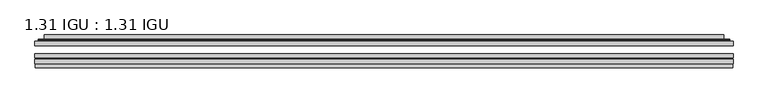
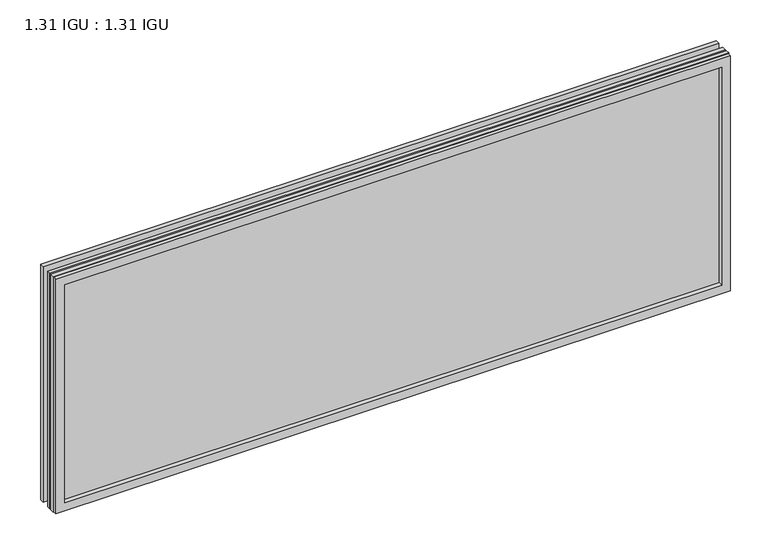
"""IFC4 building model written with IfcOpenShell, lengths in millimetres: plate geometry, 1.31 IGU : 1.31 IGU."""

from ifc_helpers import new_model, si_unit, frame, origin, place, context, project, spatial, polyline, ellipse_curve, outline, extrude, faceted_brep, source, transform, mapped, element, save
from ifc_brep_helpers import plane_surface, cylinder_surface, advanced_brep


def plate_1_31_igu_1_31_igu_ddd0ad23(model_context):
    return source(origin(), model_context, "Body", "SolidModel", [
        extrude(outline(polyline([(525.476675, -63.59525), (525.476675, -69.94525), (-525.4625, -69.94525), (-525.4625, -63.59525), (525.476675, -63.59525)])), frame((0.0, 0.0, -14.2875), z_axis=(0.0, 0.0, 1.0), x_axis=(1.0, 0.0, 0.0)), (0.0, 0.0, 1.0), 387.3537979),
        extrude(outline(polyline([(-525.4625, -78.58125), (-525.4625, -72.230745), (525.476675, -72.230745), (525.476675, -78.58125), (-525.4625, -78.58125)])), frame((0.0, 0.0, -14.2875), z_axis=(0.0, 0.0, 1.0), x_axis=(1.0, 0.0, 0.0)), (0.0, 0.0, 1.0), 387.3537979),
        extrude(outline(polyline([(525.476675, -45.25645), (525.476675, -51.60645), (-525.4625, -51.60645), (-525.4625, -45.25645), (525.476675, -45.25645)])), frame((0.0, 0.0, -14.2875), z_axis=(0.0, 0.0, 1.0), x_axis=(1.0, 0.0, 0.0)), (0.0, 0.0, 1.0), 387.3537979),
        faceted_brep([(-524.7623142, -84.93125, 372.3623142), (-524.7623142, -78.58125, 372.3623142), (-524.7623142, -78.58125, -13.5873142), (-524.7623142, -84.93125, -13.5873142), (524.7623142, -78.58125, -13.5873142), (524.7623142, -84.93125, -13.5873142), (524.7623142, -78.58125, 372.3623142), (524.7623142, -84.93125, 372.3623142), (-510.2772559, -78.58125, 0.8977441), (510.2772559, -78.58125, 0.8977441), (510.2772559, -78.58125, 357.8772559), (-510.2772559, -78.58125, 357.8772559), (-511.1696902, -84.93125, 358.7696902), (511.1696902, -84.93125, 358.7696902), (511.1696902, -84.93125, 0.0053098), (-511.1696902, -84.93125, 0.0053098)], [[[0, 1, 2, 3]], [[3, 2, 4, 5]], [[5, 4, 6, 7]], [[1, 6, 4, 2], [8, 9, 10, 11]], [[7, 6, 1, 0]], [[3, 5, 7, 0], [12, 13, 14, 15]], [[11, 12, 15, 8]], [[8, 15, 14, 9]], [[9, 14, 13, 10]], [[10, 13, 12, 11]]]),
        advanced_brep(
        [(-518.221219, -45.25645, 365.821219), (-520.5754244, -43.2667833, 368.1754244), (-520.5754244, -43.2667833, -9.4004244), (-518.221219, -45.25645, -7.046219), (-509.1468939, -41.416413, 356.7468939), (-504.2120621, -45.25645, 351.8120621), (-504.2120621, -45.25645, 6.9629379), (-509.1468939, -41.416413, 2.0281061), (-510.1789217, -36.0191819, 357.7789217), (-510.1789217, -36.0191819, 0.9960783), (-511.1695784, -35.6202069, 358.7695784), (-511.1695784, -35.6202069, 0.0054216), (-511.1695784, -42.08145, 358.7695784), (-511.1695784, -42.08145, 0.0054216), (-519.5736349, -42.08145, 367.1736349), (-519.5736349, -42.08145, -8.3986349), (520.5754244, -43.2667833, -9.4004244), (518.221219, -45.25645, -7.046219), (504.2120621, -45.25645, 6.9629379), (509.1468939, -41.416413, 2.0281061), (510.1789217, -36.0191819, 0.9960783), (511.1695784, -35.6202069, 0.0054216), (511.1695784, -42.08145, 0.0054216), (519.5736349, -42.08145, -8.3986349), (520.5754244, -43.2667833, 368.1754244), (518.221219, -45.25645, 365.821219), (504.2120621, -45.25645, 351.8120621), (509.1468939, -41.416413, 356.7468939), (510.1789217, -36.0191819, 357.7789217), (511.1695784, -35.6202069, 358.7695784), (511.1695784, -42.08145, 358.7695784), (519.5736349, -42.08145, 367.1736349)],
        [
            (0, 1, ellipse_curve(frame((-518.221219, -42.86885, 365.821219), z_axis=(-0.7071067811865475, 0.0, -0.7071067811865475), x_axis=(-0.7071067811865474, 0.0, 0.7071067811865476)), 3.3765763, 2.3876)),
            (1, 2),
            (2, 3, ellipse_curve(frame((-518.221219, -42.86885, -7.046219), z_axis=(-0.7071067811865475, 0.0, 0.7071067811865475), x_axis=(0.7071067811865474, 0.0, 0.7071067811865476)), 3.3765763, 2.3876)),
            (3, 0),
            (4, 5),
            (5, 6),
            (6, 7),
            (7, 4),
            (8, 4),
            (7, 9),
            (9, 8),
            (10, 8, ellipse_curve(frame((-510.8026219, -36.1384423, 358.4026219), z_axis=(-0.7071067811865475, 0.0, -0.7071067811865475), x_axis=(-0.7071067811865474, 0.0, 0.7071067811865476)), 0.8980256, 0.635)),
            (9, 11, ellipse_curve(frame((-510.8026219, -36.1384423, 0.3723781), z_axis=(-0.7071067811865475, 0.0, 0.7071067811865475), x_axis=(0.7071067811865474, 0.0, 0.7071067811865476)), 0.8980256, 0.635)),
            (11, 10),
            (12, 10),
            (11, 13),
            (13, 12),
            (1, 14, ellipse_curve(frame((-519.5736349, -43.09745, 367.1736349), z_axis=(-0.7071067811865475, 0.0, -0.7071067811865475), x_axis=(-0.7071067811865474, 0.0, 0.7071067811865476)), 1.436841, 1.016)),
            (14, 15),
            (15, 2, ellipse_curve(frame((-519.5736349, -43.09745, -8.3986349), z_axis=(-0.7071067811865475, 0.0, 0.7071067811865475), x_axis=(0.7071067811865474, 0.0, 0.7071067811865476)), 1.436841, 1.016)),
            (2, 16),
            (16, 17, ellipse_curve(frame((518.221219, -42.86885, -7.046219), z_axis=(-0.7071067811865475, 0.0, -0.7071067811865475), x_axis=(-0.7071067811865476, 0.0, 0.7071067811865474)), 3.3765763, 2.3876)),
            (17, 3),
            (6, 18),
            (18, 19),
            (19, 7),
            (19, 20),
            (20, 9),
            (20, 21, ellipse_curve(frame((510.8026219, -36.1384423, 0.3723781), z_axis=(-0.7071067811865475, 0.0, -0.7071067811865475), x_axis=(-0.7071067811865476, 0.0, 0.7071067811865474)), 0.8980256, 0.635)),
            (21, 11),
            (21, 22),
            (22, 13),
            (15, 23),
            (23, 16, ellipse_curve(frame((519.5736349, -43.09745, -8.3986349), z_axis=(-0.7071067811865475, 0.0, -0.7071067811865475), x_axis=(-0.7071067811865476, 0.0, 0.7071067811865474)), 1.436841, 1.016)),
            (16, 24),
            (24, 25, ellipse_curve(frame((518.221219, -42.86885, 365.821219), z_axis=(0.7071067811865475, 0.0, -0.7071067811865475), x_axis=(-0.7071067811865474, 0.0, -0.7071067811865476)), 3.3765763, 2.3876)),
            (25, 17),
            (18, 26),
            (26, 27),
            (27, 19),
            (27, 28),
            (28, 20),
            (28, 29, ellipse_curve(frame((510.8026219, -36.1384423, 358.4026219), z_axis=(0.7071067811865475, 0.0, -0.7071067811865475), x_axis=(-0.7071067811865474, 0.0, -0.7071067811865476)), 0.8980256, 0.635)),
            (29, 21),
            (29, 30),
            (30, 22),
            (23, 31),
            (31, 24, ellipse_curve(frame((519.5736349, -43.09745, 367.1736349), z_axis=(0.7071067811865475, 0.0, -0.7071067811865475), x_axis=(-0.7071067811865474, 0.0, -0.7071067811865476)), 1.436841, 1.016)),
            (24, 1),
            (0, 25),
            (5, 26),
            (4, 27),
            (8, 28),
            (10, 29),
            (12, 30),
            (14, 31),
        ],
        [
            cylinder_surface(frame((-518.221219, -42.86885, 390.525), z_axis=(0.0, 0.0, 1.0), x_axis=(-1.0, 0.0, 0.0)), 2.3876),
            plane_surface(frame((-504.2120621, -45.25645, 351.8120621), z_axis=(0.6141233906514794, 0.7892100234124821, 0.0), x_axis=(0.0, 0.0, -1.0))),
            plane_surface(frame((-509.1468939, -41.416413, 356.7468939), z_axis=(0.9822050625507729, 0.18781164793386074, 0.0), x_axis=(0.0, 0.0, -1.0))),
            cylinder_surface(frame((-510.8026219, -36.1384423, 390.525), z_axis=(0.0, 0.0, 1.0), x_axis=(-1.0, 0.0, 0.0)), 0.635),
            plane_surface(frame((-511.1695784, -35.6202069, 358.7695784), z_axis=(-1.0, 0.0, 0.0), x_axis=(0.0, 0.0, -1.0))),
            cylinder_surface(frame((-519.5736349, -43.09745, 390.525), z_axis=(0.0, 0.0, 1.0), x_axis=(-1.0, 0.0, 0.0)), 1.016),
            cylinder_surface(frame((-542.925, -42.86885, -7.046219), z_axis=(-1.0, 0.0, 0.0), x_axis=(0.0, 0.0, -1.0)), 2.3876),
            plane_surface(frame((-504.2120621, -45.25645, 6.9629379), z_axis=(0.0, 0.7892100234124841, 0.6141233906514768), x_axis=(1.0, 0.0, 0.0))),
            plane_surface(frame((-509.1468939, -41.416413, 2.0281061), z_axis=(0.0, 0.18781164793386393, 0.9822050625507723), x_axis=(1.0, 0.0, 0.0))),
            cylinder_surface(frame((-542.925, -36.1384423, 0.3723781), z_axis=(-1.0, 0.0, 0.0), x_axis=(0.0, 0.0, -1.0)), 0.635),
            plane_surface(frame((-511.1695784, -35.6202069, 0.0054216), z_axis=(0.0, 0.0, -1.0), x_axis=(1.0, 0.0, 0.0))),
            cylinder_surface(frame((-542.925, -43.09745, -8.3986349), z_axis=(-1.0, 0.0, 0.0), x_axis=(0.0, 0.0, -1.0)), 1.016),
            cylinder_surface(frame((518.221219, -42.86885, -31.75), z_axis=(0.0, 0.0, -1.0), x_axis=(1.0, 0.0, 0.0)), 2.3876),
            plane_surface(frame((504.2120621, -45.25645, 6.9629379), z_axis=(-0.6141233906514743, 0.7892100234124861, 0.0), x_axis=(0.0, 0.0, 1.0))),
            plane_surface(frame((509.1468939, -41.416413, 2.0281061), z_axis=(-0.9822050625507718, 0.18781164793386712, 0.0), x_axis=(0.0, 0.0, 1.0))),
            cylinder_surface(frame((510.8026219, -36.1384423, -31.75), z_axis=(0.0, 0.0, -1.0), x_axis=(1.0, 0.0, 0.0)), 0.635),
            plane_surface(frame((511.1695784, -35.6202069, 0.0054216), z_axis=(1.0, 0.0, 0.0), x_axis=(0.0, 0.0, 1.0))),
            cylinder_surface(frame((519.5736349, -43.09745, -31.75), z_axis=(0.0, 0.0, -1.0), x_axis=(1.0, 0.0, 0.0)), 1.016),
            cylinder_surface(frame((542.925, -42.86885, 365.821219), z_axis=(1.0, 0.0, 0.0), x_axis=(0.0, 0.0, 1.0)), 2.3876),
            plane_surface(frame((518.221219, -45.25645, 365.821219), z_axis=(0.0, -1.0, 0.0), x_axis=(-1.0, 0.0, 0.0))),
            plane_surface(frame((504.2120621, -45.25645, 351.8120621), z_axis=(0.0, 0.7892100234124841, -0.6141233906514768), x_axis=(-1.0, 0.0, 0.0))),
            plane_surface(frame((509.1468939, -41.416413, 356.7468939), z_axis=(0.0, 0.18781164793386393, -0.9822050625507723), x_axis=(-1.0, 0.0, 0.0))),
            cylinder_surface(frame((542.925, -36.1384423, 358.4026219), z_axis=(1.0, 0.0, 0.0), x_axis=(0.0, 0.0, 1.0)), 0.635),
            plane_surface(frame((511.1695784, -35.6202069, 358.7695784), z_axis=(0.0, 0.0, 1.0), x_axis=(-1.0, 0.0, 0.0))),
            plane_surface(frame((511.1695784, -42.08145, 358.7695784), z_axis=(0.0, 1.0, 0.0), x_axis=(-1.0, 0.0, 0.0))),
            cylinder_surface(frame((542.925, -43.09745, 367.1736349), z_axis=(1.0, 0.0, 0.0), x_axis=(0.0, 0.0, 1.0)), 1.016),
        ],
        [
            (0, [[1, 2, 3, 4]]),
            (1, [[5, 6, 7, 8]]),
            (2, [[9, -8, 10, 11]]),
            (3, [[12, -11, 13, 14]]),
            (4, [[15, -14, 16, 17]]),
            (5, [[18, 19, 20, -2]]),
            (6, [[-3, 21, 22, 23]]),
            (7, [[-7, 24, 25, 26]]),
            (8, [[-10, -26, 27, 28]]),
            (9, [[-13, -28, 29, 30]]),
            (10, [[-16, -30, 31, 32]]),
            (11, [[-20, 33, 34, -21]]),
            (12, [[-22, 35, 36, 37]]),
            (13, [[-25, 38, 39, 40]]),
            (14, [[-27, -40, 41, 42]]),
            (15, [[-29, -42, 43, 44]]),
            (16, [[-31, -44, 45, 46]]),
            (17, [[-34, 47, 48, -35]]),
            (18, [[-36, 49, -1, 50]]),
            (19, [[-23, -37, -50, -4], [51, -38, -24, -6]]),
            (20, [[-39, -51, -5, 52]]),
            (21, [[-41, -52, -9, 53]]),
            (22, [[-43, -53, -12, 54]]),
            (23, [[-45, -54, -15, 55]]),
            (24, [[56, -47, -33, -19], [-32, -46, -55, -17]]),
            (25, [[-48, -56, -18, -49]]),
        ],
    ),
    ])


if __name__ == "__main__":
    model = new_model("IFC4")
    model_context = context("Model", 3, world=origin())
    ifc_project = project(units=[si_unit("LENGTHUNIT", "METRE", prefix="MILLI")], contexts=[model_context])
    site = spatial("IfcSite", under=ifc_project)
    building = spatial("IfcBuilding", under=site)
    placement = place(None, origin())
    plate_1_31_igu_1_31_igu_shape = plate_1_31_igu_1_31_igu_ddd0ad23(model_context)
    element("IfcPlate", 1, ObjectType="1.31 IGU : 1.31 IGU", at=placement, inside=building, context=model_context, shape_type="MappedRepresentation", body=[
        mapped(plate_1_31_igu_1_31_igu_shape, transform((0.0, 0.0, 0.0), x_axis=(1.0, 0.0, 0.0), y_axis=(0.0, 1.0, 0.0), z_axis=(0.0, 0.0, 1.0))),
    ])
    save(model, "model.ifc")
